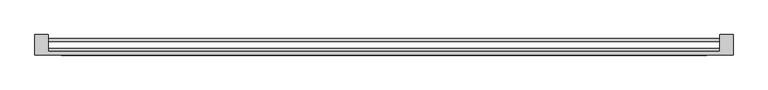
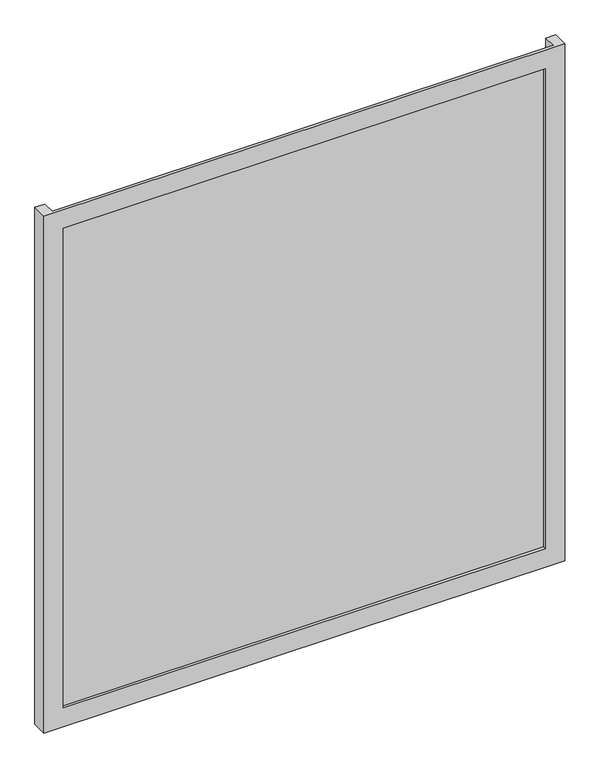
"""IFC4 building model written with IfcOpenShell, lengths in millimetres: plate geometry."""

import ifcopenshell
import ifcopenshell.guid

model = None  # the IFC model being written
_history = None  # IfcOwnerHistory: only IFC2X3 demands one
_inside = {}  # id of a spatial element -> (the spatial element, [elements in it])
_under = {}  # id of a project, library or spatial element -> (it, [spatial elements below it])
_declared = {}  # id of a project -> (the project, [libraries it declares])
_typed = {}  # id of a type object -> (the type object, [elements of that type])
_made_of = {}  # id of a material, layer set ... -> (it, [elements and type objects made of it])


def new_model(schema):
    """Start an empty IFC model of exactly this schema.

    Asked for "IFC4X3", IfcOpenShell would pick the latest addendum, in which some entities
    have other attributes; the version numbers below select the first issue.
    IFC2X3 requires an IfcOwnerHistory on every rooted entity: one is made here for all.
    """
    global model, _history
    if schema == "IFC4X3":
        model = ifcopenshell.file(schema_version=(4, 3, 0, 0))
    else:
        model = ifcopenshell.file(schema=schema)
    _inside.clear()
    _under.clear()
    _declared.clear()
    _typed.clear()
    _made_of.clear()
    _history = None
    if model.schema == "IFC2X3":
        org = make("IfcOrganization", Name="unknown")
        user = make(
            "IfcPersonAndOrganization",
            ThePerson=make("IfcPerson", FamilyName="unknown"),
            TheOrganization=org,
        )
        app = make(
            "IfcApplication",
            ApplicationDeveloper=org,
            Version="unknown",
            ApplicationFullName="unknown",
            ApplicationIdentifier="unknown",
        )
        _history = make(
            "IfcOwnerHistory",
            OwningUser=user,
            OwningApplication=app,
            ChangeAction="ADDED",
            CreationDate=0,
        )
    return model


def make(cls, **values):
    """One entity of the class cls with the attributes given. An attribute that is None is left unset."""
    return model.create_entity(
        cls, **{name: value for name, value in values.items() if value is not None}
    )


def rooted(cls, **values):
    """An entity with a GlobalId (a new one), such as an element, a storey or a relation."""
    return make(cls, GlobalId=ifcopenshell.guid.new(), OwnerHistory=_history, **values)


def si_unit(unit_type, name, prefix=None):
    """IfcSIUnit, for example si_unit("LENGTHUNIT", "METRE", prefix="MILLI")."""
    return make("IfcSIUnit", UnitType=unit_type, Prefix=prefix, Name=name)


def assignment(units):
    """IfcUnitAssignment: the units of a project."""
    return None if units is None else make("IfcUnitAssignment", Units=units)


def point(xyz):
    """IfcCartesianPoint."""
    return None if xyz is None else make("IfcCartesianPoint", Coordinates=xyz)


def direction(xyz):
    """IfcDirection."""
    return None if xyz is None else make("IfcDirection", DirectionRatios=xyz)


def frame(location, z_axis=None, x_axis=None):
    """IfcAxis2Placement3D, a coordinate frame: its origin and axes. An axis left out is left unset."""
    return make(
        "IfcAxis2Placement3D",
        Location=point(location),
        Axis=direction(z_axis),
        RefDirection=direction(x_axis),
    )


def origin():
    """The frame at (0, 0, 0) with its axes left unset."""
    return frame((0.0, 0.0, 0.0))


def origin_with_axes():
    """The frame at (0, 0, 0) with the z axis (0, 0, 1) and the x axis (1, 0, 0) written out."""
    return frame((0.0, 0.0, 0.0), z_axis=(0.0, 0.0, 1.0), x_axis=(1.0, 0.0, 0.0))


def place(relative_to, where):
    """IfcLocalPlacement: puts the frame where relative to a parent placement (None: the world)."""
    return make(
        "IfcLocalPlacement", PlacementRelTo=relative_to, RelativePlacement=where
    )


def context(
    kind, dimensions, precision=None, world=None, true_north=None, identifier=None
):
    """IfcGeometricRepresentationContext, for example the 3D "Model" context."""
    return make(
        "IfcGeometricRepresentationContext",
        ContextIdentifier=identifier,
        ContextType=kind,
        CoordinateSpaceDimension=dimensions,
        Precision=precision,
        WorldCoordinateSystem=world,
        TrueNorth=true_north,
    )


def project(units=None, contexts=None):
    """IfcProject with its units and contexts."""
    return rooted(
        "IfcProject",
        Name="project",
        RepresentationContexts=contexts,
        UnitsInContext=assignment(units),
    )


def spatial(cls, under=None, at=None, **own):
    """A site, building, storey or space (cls), placed at a placement, below another one or the project."""
    s = rooted(cls, ObjectPlacement=at, **own)
    if under is not None:
        _under.setdefault(under.id(), (under, []))[1].append(s)
    return s


def polyline(points):
    """IfcPolyline through the points."""
    return make("IfcPolyline", Points=[point(p) for p in points])


def outline(outer, holes=None, kind="AREA"):
    """IfcArbitraryClosedProfileDef: a profile drawn as a closed curve; with holes, ...WithVoids."""
    if holes is None:
        return make("IfcArbitraryClosedProfileDef", ProfileType=kind, OuterCurve=outer)
    return make(
        "IfcArbitraryProfileDefWithVoids",
        ProfileType=kind,
        OuterCurve=outer,
        InnerCurves=holes,
    )


def extrude(swept, where, along, depth):
    """IfcExtrudedAreaSolid: the profile swept, set in the frame where, extruded along a direction by depth."""
    return make(
        "IfcExtrudedAreaSolid",
        SweptArea=swept,
        Position=where,
        ExtrudedDirection=direction(along),
        Depth=depth,
    )


def faces_of(points, faces, orient=None, outer=None):
    """IfcFace entities. A face is a list of loops; a loop is a list of indices into points, from 0.

    orient and outer hold one flag for each loop. By default every Orientation is true, the
    first loop of a face is its IfcFaceOuterBound and the others are IfcFaceBound.
    """
    made = []
    for i, loops in enumerate(faces):
        bounds = []
        for j, loop in enumerate(loops):
            is_outer = j == 0 if outer is None else outer[i][j]
            bounds.append(
                make(
                    "IfcFaceOuterBound" if is_outer else "IfcFaceBound",
                    Bound=make("IfcPolyLoop", Polygon=[points[k] for k in loop]),
                    Orientation=True if orient is None else orient[i][j],
                )
            )
        made.append(make("IfcFace", Bounds=bounds))
    return made


def faceted_brep(points, faces, orient=None, outer=None, voids=None):
    """IfcFacetedBrep: a solid bounded by flat faces; with voids (closed shells), ...WithVoids."""
    shared = [point(p) for p in points]
    hull = make("IfcClosedShell", CfsFaces=faces_of(shared, faces, orient, outer))
    if voids is None:
        return make("IfcFacetedBrep", Outer=hull)
    return make(
        "IfcFacetedBrepWithVoids",
        Outer=hull,
        Voids=[
            make(cls, CfsFaces=faces_of(shared, fs, o, b)) for cls, fs, o, b in voids
        ],
    )


def shape(context_of_items, identifier, shape_type, items):
    """IfcShapeRepresentation: the items that make up one representation, for example the "Body"."""
    return make(
        "IfcShapeRepresentation",
        ContextOfItems=context_of_items,
        RepresentationIdentifier=identifier,
        RepresentationType=shape_type,
        Items=items,
    )


def source(mapping_origin, context_of_items, identifier, shape_type, items):
    """IfcRepresentationMap: a shape defined once, which mapped items show again and again."""
    return make(
        "IfcRepresentationMap",
        MappingOrigin=mapping_origin,
        MappedRepresentation=shape(context_of_items, identifier, shape_type, items),
    )


def transform(
    local_origin,
    x_axis=None,
    y_axis=None,
    z_axis=None,
    scale=None,
    scale2=None,
    scale3=None,
    uniform=True,
):
    """IfcCartesianTransformationOperator3D, or its non-uniform kind. x_axis, y_axis, z_axis: its Axis1, 2, 3."""
    if uniform:
        return make(
            "IfcCartesianTransformationOperator3D",
            Axis1=direction(x_axis),
            Axis2=direction(y_axis),
            LocalOrigin=point(local_origin),
            Scale=scale,
            Axis3=direction(z_axis),
        )
    return make(
        "IfcCartesianTransformationOperator3DnonUniform",
        Axis1=direction(x_axis),
        Axis2=direction(y_axis),
        LocalOrigin=point(local_origin),
        Scale=scale,
        Axis3=direction(z_axis),
        Scale2=scale2,
        Scale3=scale3,
    )


def mapped(mapping_source, mapping_target):
    """IfcMappedItem: shows the shape of a source again, moved by a transform."""
    return make(
        "IfcMappedItem", MappingSource=mapping_source, MappingTarget=mapping_target
    )


def made_of(thing, what):
    """Note that an element or type object is made of a material, layer set ...; save() writes the relation."""
    if what is not None:
        _made_of.setdefault(what.id(), (what, []))[1].append(thing)
    return thing


def element(
    cls,
    number,
    at=None,
    inside=None,
    cuts=None,
    type_object=None,
    material=None,
    context=None,
    identifier="Body",
    shape_type=None,
    held_by="IfcProductDefinitionShape",
    body=None,
    shapes=None,
    **own,
):
    """One element of the class cls, such as IfcWall. Its Tag is "e" and its number.

    at: its placement. inside: the storey or other place that contains it. cuts: it is an
    opening in that element (IfcRelVoidsElement). A single representation is given by context,
    identifier, shape_type and body (its items); several are given by shapes. held_by: the class
    of the entity that holds the representations. save() writes the other relations.
    """
    e = rooted(cls, Tag="e%d" % number, ObjectPlacement=at, **own)
    if body is not None:
        shapes = [shape(context, identifier, shape_type, body)]
    if shapes is not None:
        e.Representation = make(held_by, Representations=shapes)
    if inside is not None:
        _inside.setdefault(inside.id(), (inside, []))[1].append(e)
    if cuts is not None:
        rooted(
            "IfcRelVoidsElement", RelatingBuildingElement=cuts, RelatedOpeningElement=e
        )
    if type_object is not None:
        _typed.setdefault(type_object.id(), (type_object, []))[1].append(e)
    return made_of(e, material)


def aggregate(whole, parts):
    """IfcRelAggregates: a whole, such as a stair, and the parts it consists of."""
    return rooted("IfcRelAggregates", RelatingObject=whole, RelatedObjects=parts)


def save(model, path):
    """Write the relations noted so far, then the file.

    IfcRelAggregates (storeys below a building ...), IfcRelContainedInSpatialStructure (elements
    in a storey), IfcRelDefinesByType, IfcRelAssociatesMaterial and IfcRelDeclares: one each for
    every whole, place, type object, material and project.
    """
    for whole, parts in _under.values():
        aggregate(whole, parts)
    for where, things in _inside.values():
        rooted(
            "IfcRelContainedInSpatialStructure",
            RelatedElements=things,
            RelatingStructure=where,
        )
    for kind, things in _typed.values():
        rooted("IfcRelDefinesByType", RelatedObjects=things, RelatingType=kind)
    for what, things in _made_of.values():
        rooted("IfcRelAssociatesMaterial", RelatedObjects=things, RelatingMaterial=what)
    for by, libraries in _declared.values():
        rooted("IfcRelDeclares", RelatingContext=by, RelatedDefinitions=libraries)
    model.write(path)


def plate_29f6b67b(model_context):
    return source(origin(), model_context, "Body", "SolidModel", [
        faceted_brep([(662.5, -50.8, -50.0), (662.5, -89.8, -50.0), (-662.5, -89.8, -50.0), (-662.5, -50.8, -50.0), (-637.5, -50.8, -50.0), (-637.5, -82.8, -50.0), (637.5, -82.8, -50.0), (637.5, -50.8, -50.0), (612.5, -89.8, 0.0), (612.5, -82.8, 0.0), (-612.5, -82.8, 0.0), (-612.5, -89.8, 0.0), (662.5, -89.8, 1340.0), (-662.5, -89.8, 1340.0), (-612.5, -89.8, 1290.0), (612.5, -89.8, 1290.0), (-637.5, -82.8, 1340.0), (637.5, -82.8, 1340.0), (612.5, -82.8, 1290.0), (-612.5, -82.8, 1290.0), (662.5, -50.8, 1340.0), (637.5, -50.8, 1340.0), (-637.5, -50.8, 1340.0), (-662.5, -50.8, 1340.0)], [[[0, 1, 2, 3, 4, 5, 6, 7]], [[8, 9, 10, 11]], [[12, 13, 2, 1], [11, 14, 15, 8]], [[16, 17, 6, 5], [9, 18, 19, 10]], [[20, 21, 17, 16, 22, 23, 13, 12]], [[20, 0, 7, 21]], [[21, 7, 6, 17]], [[8, 15, 18, 9]], [[12, 1, 0, 20]], [[22, 4, 3, 23]], [[16, 5, 4, 22]], [[10, 19, 14, 11]], [[23, 3, 2, 13]], [[18, 15, 14, 19]]]),
        extrude(outline(polyline([(637.5, -76.8), (637.5, -82.8), (-637.5, -82.8), (-637.5, -76.8), (637.5, -76.8)])), origin_with_axes(), (0.0, 0.0, 1.0), 1290.0),
        extrude(outline(polyline([(637.5, -64.2), (-637.5, -64.2), (-637.5, -57.8), (637.5, -57.8), (637.5, -64.2)])), origin_with_axes(), (0.0, 0.0, 1.0), 1290.0),
    ])


if __name__ == "__main__":
    model = new_model("IFC4")
    model_context = context("Model", 3, world=origin())
    ifc_project = project(units=[si_unit("LENGTHUNIT", "METRE", prefix="MILLI")], contexts=[model_context])
    site = spatial("IfcSite", under=ifc_project)
    building = spatial("IfcBuilding", under=site)
    placement = place(None, origin())
    plate_shape = plate_29f6b67b(model_context)
    element("IfcPlate", 1, at=placement, inside=building, context=model_context, shape_type="MappedRepresentation", body=[
        mapped(plate_shape, transform((0.0, 0.0, 0.0), x_axis=(1.0, 0.0, 0.0), y_axis=(0.0, 1.0, 0.0), z_axis=(0.0, 0.0, 1.0))),
    ])
    save(model, "model.ifc")
